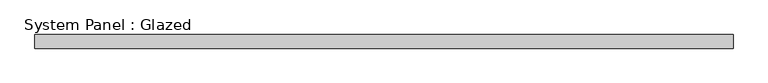
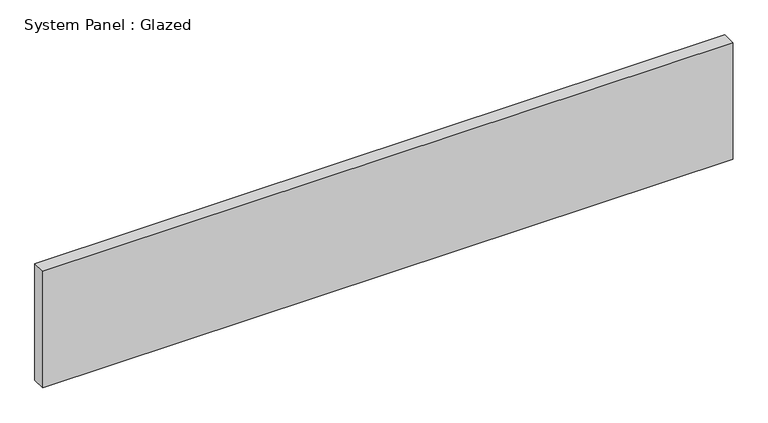
"""IFC4 building model written with IfcOpenShell, lengths in millimetres: plate geometry, System Panel : Glazed."""

from ifc_helpers import new_model, si_unit, origin, origin_with_axes, place, context, project, spatial, polyline, outline, extrude, source, transform, mapped, element, save


def system_panel_glazed_b148234f(model_context):
    return source(origin(), model_context, "Body", "SweptSolid", [
        extrude(outline(polyline([(641.6666666, 24.5), (-641.6666666, 24.5), (-641.6666666, 49.5), (641.6666666, 49.5), (641.6666666, 24.5)])), origin_with_axes(), (0.0, 0.0, 1.0), 229.2459602),
    ])


if __name__ == "__main__":
    model = new_model("IFC4")
    model_context = context("Model", 3, world=origin())
    ifc_project = project(units=[si_unit("LENGTHUNIT", "METRE", prefix="MILLI")], contexts=[model_context])
    site = spatial("IfcSite", under=ifc_project)
    building = spatial("IfcBuilding", under=site)
    placement = place(None, origin())
    system_panel_glazed_shape = system_panel_glazed_b148234f(model_context)
    element("IfcPlate", 1, ObjectType="System Panel : Glazed", at=placement, inside=building, context=model_context, shape_type="MappedRepresentation", body=[
        mapped(system_panel_glazed_shape, transform((0.0, 0.0, 0.0), x_axis=(1.0, 0.0, 0.0), y_axis=(0.0, 1.0, 0.0), z_axis=(0.0, 0.0, 1.0))),
    ])
    save(model, "model.ifc")
